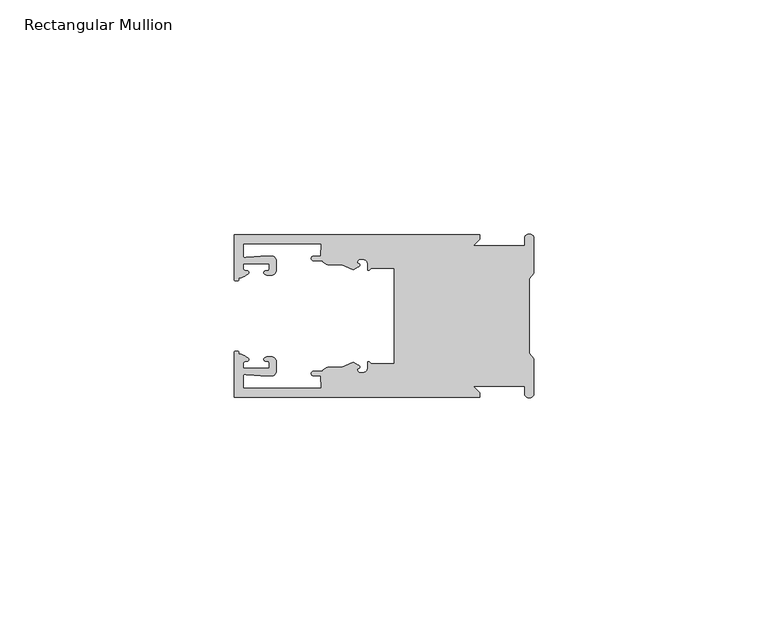
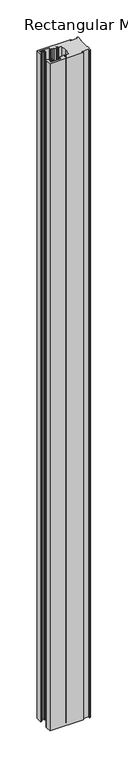
"""IFC4 building model written with IfcOpenShell, lengths in millimetres: member geometry, Rectangular Mullion."""

import ifcopenshell
import ifcopenshell.guid

model = None  # the IFC model being written
_history = None  # IfcOwnerHistory: only IFC2X3 demands one
_inside = {}  # id of a spatial element -> (the spatial element, [elements in it])
_under = {}  # id of a project, library or spatial element -> (it, [spatial elements below it])
_declared = {}  # id of a project -> (the project, [libraries it declares])
_typed = {}  # id of a type object -> (the type object, [elements of that type])
_made_of = {}  # id of a material, layer set ... -> (it, [elements and type objects made of it])


def new_model(schema):
    """Start an empty IFC model of exactly this schema.

    Asked for "IFC4X3", IfcOpenShell would pick the latest addendum, in which some entities
    have other attributes; the version numbers below select the first issue.
    IFC2X3 requires an IfcOwnerHistory on every rooted entity: one is made here for all.
    """
    global model, _history
    if schema == "IFC4X3":
        model = ifcopenshell.file(schema_version=(4, 3, 0, 0))
    else:
        model = ifcopenshell.file(schema=schema)
    _inside.clear()
    _under.clear()
    _declared.clear()
    _typed.clear()
    _made_of.clear()
    _history = None
    if model.schema == "IFC2X3":
        org = make("IfcOrganization", Name="unknown")
        user = make(
            "IfcPersonAndOrganization",
            ThePerson=make("IfcPerson", FamilyName="unknown"),
            TheOrganization=org,
        )
        app = make(
            "IfcApplication",
            ApplicationDeveloper=org,
            Version="unknown",
            ApplicationFullName="unknown",
            ApplicationIdentifier="unknown",
        )
        _history = make(
            "IfcOwnerHistory",
            OwningUser=user,
            OwningApplication=app,
            ChangeAction="ADDED",
            CreationDate=0,
        )
    return model


def make(cls, **values):
    """One entity of the class cls with the attributes given. An attribute that is None is left unset."""
    return model.create_entity(
        cls, **{name: value for name, value in values.items() if value is not None}
    )


def rooted(cls, **values):
    """An entity with a GlobalId (a new one), such as an element, a storey or a relation."""
    return make(cls, GlobalId=ifcopenshell.guid.new(), OwnerHistory=_history, **values)


def si_unit(unit_type, name, prefix=None):
    """IfcSIUnit, for example si_unit("LENGTHUNIT", "METRE", prefix="MILLI")."""
    return make("IfcSIUnit", UnitType=unit_type, Prefix=prefix, Name=name)


def assignment(units):
    """IfcUnitAssignment: the units of a project."""
    return None if units is None else make("IfcUnitAssignment", Units=units)


def point(xyz):
    """IfcCartesianPoint."""
    return None if xyz is None else make("IfcCartesianPoint", Coordinates=xyz)


def direction(xyz):
    """IfcDirection."""
    return None if xyz is None else make("IfcDirection", DirectionRatios=xyz)


def frame(location, z_axis=None, x_axis=None):
    """IfcAxis2Placement3D, a coordinate frame: its origin and axes. An axis left out is left unset."""
    return make(
        "IfcAxis2Placement3D",
        Location=point(location),
        Axis=direction(z_axis),
        RefDirection=direction(x_axis),
    )


def origin():
    """The frame at (0, 0, 0) with its axes left unset."""
    return frame((0.0, 0.0, 0.0))


def place(relative_to, where):
    """IfcLocalPlacement: puts the frame where relative to a parent placement (None: the world)."""
    return make(
        "IfcLocalPlacement", PlacementRelTo=relative_to, RelativePlacement=where
    )


def context(
    kind, dimensions, precision=None, world=None, true_north=None, identifier=None
):
    """IfcGeometricRepresentationContext, for example the 3D "Model" context."""
    return make(
        "IfcGeometricRepresentationContext",
        ContextIdentifier=identifier,
        ContextType=kind,
        CoordinateSpaceDimension=dimensions,
        Precision=precision,
        WorldCoordinateSystem=world,
        TrueNorth=true_north,
    )


def project(units=None, contexts=None):
    """IfcProject with its units and contexts."""
    return rooted(
        "IfcProject",
        Name="project",
        RepresentationContexts=contexts,
        UnitsInContext=assignment(units),
    )


def spatial(cls, under=None, at=None, **own):
    """A site, building, storey or space (cls), placed at a placement, below another one or the project."""
    s = rooted(cls, ObjectPlacement=at, **own)
    if under is not None:
        _under.setdefault(under.id(), (under, []))[1].append(s)
    return s


def polyline(points):
    """IfcPolyline through the points."""
    return make("IfcPolyline", Points=[point(p) for p in points])


def circle_curve(where, radius):
    """IfcCircle in the frame where."""
    return make("IfcCircle", Position=where, Radius=radius)


def shape(context_of_items, identifier, shape_type, items):
    """IfcShapeRepresentation: the items that make up one representation, for example the "Body"."""
    return make(
        "IfcShapeRepresentation",
        ContextOfItems=context_of_items,
        RepresentationIdentifier=identifier,
        RepresentationType=shape_type,
        Items=items,
    )


def source(mapping_origin, context_of_items, identifier, shape_type, items):
    """IfcRepresentationMap: a shape defined once, which mapped items show again and again."""
    return make(
        "IfcRepresentationMap",
        MappingOrigin=mapping_origin,
        MappedRepresentation=shape(context_of_items, identifier, shape_type, items),
    )


def transform(
    local_origin,
    x_axis=None,
    y_axis=None,
    z_axis=None,
    scale=None,
    scale2=None,
    scale3=None,
    uniform=True,
):
    """IfcCartesianTransformationOperator3D, or its non-uniform kind. x_axis, y_axis, z_axis: its Axis1, 2, 3."""
    if uniform:
        return make(
            "IfcCartesianTransformationOperator3D",
            Axis1=direction(x_axis),
            Axis2=direction(y_axis),
            LocalOrigin=point(local_origin),
            Scale=scale,
            Axis3=direction(z_axis),
        )
    return make(
        "IfcCartesianTransformationOperator3DnonUniform",
        Axis1=direction(x_axis),
        Axis2=direction(y_axis),
        LocalOrigin=point(local_origin),
        Scale=scale,
        Axis3=direction(z_axis),
        Scale2=scale2,
        Scale3=scale3,
    )


def mapped(mapping_source, mapping_target):
    """IfcMappedItem: shows the shape of a source again, moved by a transform."""
    return make(
        "IfcMappedItem", MappingSource=mapping_source, MappingTarget=mapping_target
    )


def made_of(thing, what):
    """Note that an element or type object is made of a material, layer set ...; save() writes the relation."""
    if what is not None:
        _made_of.setdefault(what.id(), (what, []))[1].append(thing)
    return thing


def element(
    cls,
    number,
    at=None,
    inside=None,
    cuts=None,
    type_object=None,
    material=None,
    context=None,
    identifier="Body",
    shape_type=None,
    held_by="IfcProductDefinitionShape",
    body=None,
    shapes=None,
    **own,
):
    """One element of the class cls, such as IfcWall. Its Tag is "e" and its number.

    at: its placement. inside: the storey or other place that contains it. cuts: it is an
    opening in that element (IfcRelVoidsElement). A single representation is given by context,
    identifier, shape_type and body (its items); several are given by shapes. held_by: the class
    of the entity that holds the representations. save() writes the other relations.
    """
    e = rooted(cls, Tag="e%d" % number, ObjectPlacement=at, **own)
    if body is not None:
        shapes = [shape(context, identifier, shape_type, body)]
    if shapes is not None:
        e.Representation = make(held_by, Representations=shapes)
    if inside is not None:
        _inside.setdefault(inside.id(), (inside, []))[1].append(e)
    if cuts is not None:
        rooted(
            "IfcRelVoidsElement", RelatingBuildingElement=cuts, RelatedOpeningElement=e
        )
    if type_object is not None:
        _typed.setdefault(type_object.id(), (type_object, []))[1].append(e)
    return made_of(e, material)


def aggregate(whole, parts):
    """IfcRelAggregates: a whole, such as a stair, and the parts it consists of."""
    return rooted("IfcRelAggregates", RelatingObject=whole, RelatedObjects=parts)


def save(model, path):
    """Write the relations noted so far, then the file.

    IfcRelAggregates (storeys below a building ...), IfcRelContainedInSpatialStructure (elements
    in a storey), IfcRelDefinesByType, IfcRelAssociatesMaterial and IfcRelDeclares: one each for
    every whole, place, type object, material and project.
    """
    for whole, parts in _under.values():
        aggregate(whole, parts)
    for where, things in _inside.values():
        rooted(
            "IfcRelContainedInSpatialStructure",
            RelatedElements=things,
            RelatingStructure=where,
        )
    for kind, things in _typed.values():
        rooted("IfcRelDefinesByType", RelatedObjects=things, RelatingType=kind)
    for what, things in _made_of.values():
        rooted("IfcRelAssociatesMaterial", RelatedObjects=things, RelatingMaterial=what)
    for by, libraries in _declared.values():
        rooted("IfcRelDeclares", RelatingContext=by, RelatedDefinitions=libraries)
    model.write(path)


def plane_surface(at):
    """IfcPlane: the flat surface through the origin of the frame at, square to its z axis."""
    return make("IfcPlane", Position=at)


def cylinder_surface(at, radius):
    """IfcCylindricalSurface: all points at the distance radius from the z axis of the frame at."""
    return make("IfcCylindricalSurface", Position=at, Radius=radius)


def revolved_surface(curve, axis_point, axis_direction):
    """IfcSurfaceOfRevolution: the curve turned about the line through axis_point along axis_direction."""
    return make(
        "IfcSurfaceOfRevolution",
        SweptCurve=make("IfcArbitraryOpenProfileDef", ProfileType="CURVE", Curve=curve),
        AxisPosition=make("IfcAxis1Placement", Location=point(axis_point), Axis=direction(axis_direction)),
    )


def extruded_surface(curve, direction_of_extrusion, depth):
    """IfcSurfaceOfLinearExtrusion: the curve pushed along a direction by depth."""
    return make(
        "IfcSurfaceOfLinearExtrusion",
        SweptCurve=make("IfcArbitraryOpenProfileDef", ProfileType="CURVE", Curve=curve),
        ExtrudedDirection=direction(direction_of_extrusion),
        Depth=depth,
    )


def spline_curve(degree, points, multiplicities, knots, weights=None):
    """IfcBSplineCurveWithKnots; with weights, IfcRationalBSplineCurveWithKnots."""
    own = dict(
        Degree=degree,
        ControlPointsList=[point(p) for p in points],
        CurveForm="UNSPECIFIED",
        ClosedCurve=False,
        SelfIntersect=False,
        KnotMultiplicities=multiplicities,
        Knots=knots,
        KnotSpec="UNSPECIFIED",
    )
    if weights is None:
        return make("IfcBSplineCurveWithKnots", **own)
    return make("IfcRationalBSplineCurveWithKnots", WeightsData=weights, **own)


def advanced_brep(points, edges, surfaces, faces):
    """IfcAdvancedBrep: a solid bounded by faces that lie on surfaces and meet in shared edges.

    An edge is (start, end): straight between two places in points (the first is 0);
    or (start, end, curve); or (start, end, curve, False) where it runs against its curve.
    A face is (place in surfaces, loops), or (place, loops, False) where it looks against
    its surface's normal. A loop lists edges by number (the first is 1), with a minus sign
    where the edge is run from its end to its start. The first loop is the outer one.
    """
    corners = [point(p) for p in points]
    vertices = [make("IfcVertexPoint", VertexGeometry=c) for c in corners]
    made = []
    for start, end, *more in edges:
        made.append(
            make(
                "IfcEdgeCurve",
                EdgeStart=vertices[start],
                EdgeEnd=vertices[end],
                EdgeGeometry=more[0] if more else make("IfcPolyline", Points=[corners[start], corners[end]]),
                SameSense=more[1] if len(more) > 1 else True,
            )
        )
    hull = []
    for where, loops, *sense in faces:
        bounds = []
        for j, loop in enumerate(loops):
            ring = [make("IfcOrientedEdge", EdgeElement=made[abs(k) - 1], Orientation=k > 0) for k in loop]
            bounds.append(
                make(
                    "IfcFaceOuterBound" if j == 0 else "IfcFaceBound",
                    Bound=make("IfcEdgeLoop", EdgeList=ring),
                    Orientation=True,
                )
            )
        hull.append(make("IfcAdvancedFace", Bounds=bounds, FaceSurface=surfaces[where], SameSense=sense[0] if sense else True))
    return make("IfcAdvancedBrep", Outer=make("IfcClosedShell", CfsFaces=hull))


def rectangular_mullion_b549bbb3(model_context):
    return source(origin(), model_context, "Body", "AdvancedBrep", [
        advanced_brep(
        [(-11.5387897, 17.4000478, 0.0), (-64.0387868, 17.4000478, 0.0), (-64.0387868, 7.8350057, 0.0), (-63.2884687, 7.5412947, 0.0), (-62.4614154, 8.1921895, 0.0), (-62.0410649, 9.9426451, 0.0), (-62.0424168, 11.1926444, 0.0), (-56.54242, 11.1985924, 0.0), (-56.5410682, 9.9485931, 0.0), (-57.1085345, 8.7314723, 0.0), (-56.0397166, 8.6991345, 0.0), (-55.0407987, 9.7002154, 0.0), (-55.0430697, 11.8002142, 0.0), (-56.0446364, 12.7991315, 0.0), (-58.3650753, 12.7954945, 0.0), (-61.1340054, 12.5502269, 0.0), (-62.044093, 12.7426435, 0.0), (-62.0469668, 15.4000478, 0.0), (-45.4240312, 15.4000478, 0.0), (-45.5732135, 12.8000478, 0.0), (-47.0387868, 12.8000478, 0.0), (-47.0387868, 11.8000478, 0.0), (-45.2543363, 11.8000478, 0.0), (-43.6387868, 10.9000478, 0.0), (-41.0454034, 10.9000478, 0.0), (-38.5697136, 9.8718293, 0.0), (-37.5387868, 10.4670351, 0.0), (-37.6803436, 11.4201497, 0.0), (-37.0270763, 12.1583697, 0.0), (-36.2010815, 12.0127245, 0.0), (-35.54, 11.2248783, 0.0), (-35.54, 10.0, 0.0), (-34.7705791, 10.25, 0.0), (-29.79, 10.25, 0.0), (-29.79, 0.0, 0.0), (-29.79, -10.25, 0.0), (-34.7705791, -10.25, 0.0), (-35.54, -10.0, 0.0), (-35.54, -11.2248783, 0.0), (-36.2010815, -12.0127245, 0.0), (-37.0270763, -12.1583697, 0.0), (-37.6803436, -11.4201497, 0.0), (-37.5387868, -10.4670351, 0.0), (-38.5697136, -9.8718293, 0.0), (-41.0454034, -10.9000478, 0.0), (-43.6387868, -10.9000478, 0.0), (-45.2543363, -11.8000478, 0.0), (-47.0387868, -11.8000478, 0.0), (-47.0387868, -12.8000478, 0.0), (-45.5732135, -12.8000478, 0.0), (-45.4240312, -15.4000478, 0.0), (-62.0469668, -15.4000478, 0.0), (-62.044093, -12.7426435, 0.0), (-61.1340054, -12.5502269, 0.0), (-58.3650753, -12.7954945, 0.0), (-56.0446364, -12.7991314, 0.0), (-55.0430697, -11.8002142, 0.0), (-55.0407987, -9.7002154, 0.0), (-56.0397166, -8.6991345, 0.0), (-57.1085345, -8.7314723, 0.0), (-56.5410682, -9.9485931, 0.0), (-56.54242, -11.1985924, 0.0), (-62.0424168, -11.1926444, 0.0), (-62.0410649, -9.9426451, 0.0), (-62.4614154, -8.1921895, 0.0), (-63.2884687, -7.5412947, 0.0), (-64.0387868, -7.8350057, 0.0), (-64.0387868, -17.4000478, 0.0), (-11.5387897, -17.4000478, 0.0), (-11.5387897, -16.4000449, 0.0), (-12.9388346, -15.0, 0.0), (-2.0, -15.0, 0.0), (-2.0, -16.5, 0.0), (0.0, -16.5, 0.0), (0.0, -9.1160254, 0.0), (-1.0, -7.9613249, 0.0), (-1.0, 0.0, 0.0), (-1.0, 7.9613249, 0.0), (0.0, 9.1160254, 0.0), (0.0, 16.5, 0.0), (-2.0, 16.5, 0.0), (-2.0, 15.0, 0.0), (-12.9388346, 15.0, 0.0), (-11.5387897, 16.4000449, 0.0), (-11.5387897, 17.4000478, -1098.18), (-11.5387897, 16.4000449, -1098.18), (-12.9388346, 15.0, -1098.18), (-2.0, 15.0, -1098.18), (-2.0, 16.5, -1098.18), (0.0, 16.5, -1098.18), (0.0, 9.1160254, -1098.18), (-1.0, 7.9613249, -1098.18), (-1.0, 0.0, -1098.18), (-1.0, -7.9613249, -1098.18), (0.0, -9.1160254, -1098.18), (0.0, -16.5, -1098.18), (-2.0, -16.5, -1098.18), (-2.0, -15.0, -1098.18), (-12.9388346, -15.0, -1098.18), (-11.5387897, -16.4000449, -1098.18), (-11.5387897, -17.4000478, -1098.18), (-64.0387868, -17.4000478, -1098.18), (-64.0387868, -7.8350057, -1098.18), (-63.2884687, -7.5412947, -1098.18), (-62.4614154, -8.1921895, -1098.18), (-62.0410649, -9.9426451, -1098.18), (-62.0424168, -11.1926444, -1098.18), (-56.54242, -11.1985924, -1098.18), (-56.5410682, -9.9485931, -1098.18), (-57.1085345, -8.7314723, -1098.18), (-56.0397166, -8.6991345, -1098.18), (-55.0407987, -9.7002154, -1098.18), (-55.0430697, -11.8002142, -1098.18), (-56.0446364, -12.7991315, -1098.18), (-58.3650753, -12.7954945, -1098.18), (-61.1340054, -12.5502269, -1098.18), (-62.044093, -12.7426435, -1098.18), (-62.0469668, -15.4000478, -1098.18), (-45.4240312, -15.4000478, -1098.18), (-45.5732135, -12.8000478, -1098.18), (-47.0387868, -12.8000478, -1098.18), (-47.0387868, -11.8000478, -1098.18), (-45.2543363, -11.8000478, -1098.18), (-43.6387868, -10.9000478, -1098.18), (-41.0454034, -10.9000478, -1098.18), (-38.5697136, -9.8718293, -1098.18), (-37.5387868, -10.4670351, -1098.18), (-37.6803436, -11.4201497, -1098.18), (-37.0270763, -12.1583697, -1098.18), (-36.2010815, -12.0127245, -1098.18), (-35.54, -11.2248783, -1098.18), (-35.54, -10.0, -1098.18), (-34.7705791, -10.25, -1098.18), (-29.79, -10.25, -1098.18), (-29.79, 0.0, -1098.18), (-29.79, 10.25, -1098.18), (-34.7705791, 10.25, -1098.18), (-35.54, 10.0, -1098.18), (-35.54, 11.2248783, -1098.18), (-36.2010815, 12.0127245, -1098.18), (-37.0270763, 12.1583697, -1098.18), (-37.6803436, 11.4201497, -1098.18), (-37.5387868, 10.4670351, -1098.18), (-38.5697136, 9.8718293, -1098.18), (-41.0454034, 10.9000478, -1098.18), (-43.6387868, 10.9000478, -1098.18), (-45.2543363, 11.8000478, -1098.18), (-47.0387868, 11.8000478, -1098.18), (-47.0387868, 12.8000478, -1098.18), (-45.5732135, 12.8000478, -1098.18), (-45.4240312, 15.4000478, -1098.18), (-62.0469668, 15.4000478, -1098.18), (-62.044093, 12.7426435, -1098.18), (-61.1340054, 12.5502269, -1098.18), (-58.3650753, 12.7954945, -1098.18), (-56.0446364, 12.7991314, -1098.18), (-55.0430697, 11.8002142, -1098.18), (-55.0407987, 9.7002154, -1098.18), (-56.0397166, 8.6991345, -1098.18), (-57.1085345, 8.7314723, -1098.18), (-56.5410682, 9.9485931, -1098.18), (-56.54242, 11.1985924, -1098.18), (-62.0424168, 11.1926444, -1098.18), (-62.0410649, 9.9426451, -1098.18), (-62.4614154, 8.1921895, -1098.18), (-63.2884687, 7.5412947, -1098.18), (-64.0387868, 7.8350057, -1098.18), (-64.0387868, 17.4000478, -1098.18)],
        [
            (0, 1),
            (1, 2),
            (2, 3, spline_curve(3, [(-64.0387868, 7.8350057, 0.0), (-64.038491377, 7.561831774, 0.0), (-63.788385325, 7.463928087, 0.0), (-63.2884687, 7.5412947, 0.0)], [4, 4], [0.0, 0.0019169337574178654])),
            (3, 4, spline_curve(3, [(-63.2884687, 7.5412947, 0.0), (-63.057760917, 7.582232011, 0.0), (-63.018445067, 7.725390894, 0.0), (-63.019925494, 8.056436881, 0.0), (-63.103444208, 8.236386866, 0.0), (-62.4614154, 8.1921895, 0.0)], [4, 2, 4], [0.0, 0.0010199524164107188, 0.0024874514725970356])),
            (4, 5, spline_curve(3, [(-62.4614154, 8.1921895, 0.0), (-60.988497673, 8.880962536, 0.0), (-60.794045122, 9.192776957, 0.0), (-60.949808078, 9.57023562, 0.0), (-61.145214014, 9.682771697, 0.0), (-61.665835706, 9.714019003, 0.0), (-61.965242574, 9.660891484, 0.0), (-62.0410649, 9.9426451, 0.0)], [4, 2, 2, 4], [0.0, 0.003269869179570428, 0.005490050486237203, 0.0073545767114364426])),
            (5, 6),
            (6, 7),
            (7, 8),
            (8, 9, spline_curve(3, [(-56.5410682, 9.9485931, 0.0), (-56.634838635, 9.597117104, 0.0), (-56.904956774, 9.698238818, 0.0), (-57.324171444, 9.731086209, 0.0), (-57.45969165, 9.646199885, 0.0), (-57.729003352, 9.346016011, 0.0), (-57.859492582, 9.113082158, 0.0), (-57.1085345, 8.7314723, 0.0)], [4, 2, 2, 4], [0.0, 0.001593963049934732, 0.0033360256320283306, 0.005339140673503943])),
            (9, 10),
            (10, 11, circle_curve(frame((-56.0407981, 9.699134, 0.0), z_axis=(0.0, 0.0, 1.0), x_axis=(0.0010814451158627505, -0.9999994152380598, 0.0)), 1.0)),
            (11, 12),
            (12, 13, circle_curve(frame((-56.0430691, 11.7991327, 0.0), z_axis=(0.0, 0.0, 1.0), x_axis=(0.0010814451158627505, -0.9999994152380598, 0.0)), 1.0)),
            (13, 14),
            (14, 15),
            (15, 16, spline_curve(3, [(-61.1340054, 12.5502269, 0.0), (-61.605485428, 12.508463911, 0.0), (-61.992111419, 12.303164326, 0.0), (-62.044093, 12.7426435, 0.0)], [4, 4], [0.0, 0.0014803385355886016])),
            (16, 17),
            (17, 18),
            (18, 19),
            (19, 20),
            (20, 21, circle_curve(frame((-47.0387868, 12.3000478, 0.0), z_axis=(0.0, 0.0, 1.0), x_axis=(0.0, -1.0, 0.0)), 0.5)),
            (21, 22),
            (22, 23, circle_curve(frame((-43.6387868, 12.8000478, 0.0), z_axis=(0.0, 0.0, 1.0), x_axis=(0.0, -1.0, 0.0)), 1.9)),
            (23, 24),
            (24, 25),
            (25, 26),
            (26, 27, spline_curve(3, [(-37.5387868, 10.4670351, 0.0), (-36.973919853, 10.833863985, 0.0), (-37.198159645, 11.135696286, 0.0), (-37.587892011, 11.260246073, 0.0), (-37.754584192, 11.180452419, 0.0), (-37.6803436, 11.4201497, 0.0)], [4, 2, 4], [0.0, 0.0019283703160353726, 0.003394584635652914])),
            (27, 28, circle_curve(frame((-37.0434863, 11.5147359, 0.0), z_axis=(0.0, 0.0, -1.0), x_axis=(0.0, -1.0, 0.0)), 0.643843)),
            (28, 29),
            (29, 30, circle_curve(frame((-36.34, 11.2248783, 0.0), z_axis=(0.0, 0.0, -1.0), x_axis=(0.0, -1.0, 0.0)), 0.8)),
            (30, 31),
            (31, 32, spline_curve(3, [(-35.54, 10.0, 0.0), (-35.440000238, 9.598293201, 0.0), (-35.183526594, 9.681626535, 0.0), (-34.7705791, 10.25, 0.0)], [4, 4], [0.0, 0.0027473296990141553])),
            (32, 33),
            (33, 34),
            (34, 35),
            (35, 36),
            (36, 37, spline_curve(3, [(-34.7705791, -10.25, 0.0), (-35.183526594, -9.681626535, 0.0), (-35.440000238, -9.598293201, 0.0), (-35.54, -10.0, 0.0)], [4, 4], [0.0, 0.0027473296990141553])),
            (37, 38),
            (38, 39, circle_curve(frame((-36.34, -11.2248783, 0.0), z_axis=(0.0, 0.0, -1.0), x_axis=(0.0, 1.0, 0.0)), 0.8)),
            (39, 40),
            (40, 41, circle_curve(frame((-37.0434863, -11.5147359, 0.0), z_axis=(0.0, 0.0, -1.0), x_axis=(0.0, 1.0, 0.0)), 0.643843)),
            (41, 42, spline_curve(3, [(-37.6803436, -11.4201497, 0.0), (-37.754584192, -11.180452419, 0.0), (-37.587892011, -11.260246073, 0.0), (-37.198159645, -11.135696286, 0.0), (-36.973919853, -10.833863985, 0.0), (-37.5387868, -10.4670351, 0.0)], [4, 2, 4], [0.0, 0.0014662143196175414, 0.003394584635652914])),
            (42, 43),
            (43, 44),
            (44, 45),
            (45, 46, circle_curve(frame((-43.6387868, -12.8000478, 0.0), z_axis=(0.0, 0.0, 1.0), x_axis=(0.0, 1.0, 0.0)), 1.9)),
            (46, 47),
            (47, 48, circle_curve(frame((-47.0387868, -12.3000478, 0.0), z_axis=(0.0, 0.0, 1.0), x_axis=(0.0, 1.0, 0.0)), 0.5)),
            (48, 49),
            (49, 50),
            (50, 51),
            (51, 52),
            (52, 53, spline_curve(3, [(-62.044093, -12.7426435, 0.0), (-61.992111419, -12.303164326, 0.0), (-61.605485428, -12.508463911, 0.0), (-61.1340054, -12.5502269, 0.0)], [4, 4], [0.0, 0.0014803385355886016])),
            (53, 54),
            (54, 55),
            (55, 56, circle_curve(frame((-56.0430691, -11.7991327, 0.0), z_axis=(0.0, 0.0, 1.0), x_axis=(0.001081445115855867, 0.9999994152380598, 0.0)), 1.0)),
            (56, 57),
            (57, 58, circle_curve(frame((-56.0407981, -9.699134, 0.0), z_axis=(0.0, 0.0, 1.0), x_axis=(0.001081445115855867, 0.9999994152380598, 0.0)), 1.0)),
            (58, 59),
            (59, 60, spline_curve(3, [(-57.1085345, -8.7314723, 0.0), (-57.859492582, -9.113082158, 0.0), (-57.729003352, -9.346016011, 0.0), (-57.45969165, -9.646199885, 0.0), (-57.324171444, -9.731086209, 0.0), (-56.904956774, -9.698238818, 0.0), (-56.634838635, -9.597117104, 0.0), (-56.5410682, -9.9485931, 0.0)], [4, 2, 2, 4], [0.0, 0.002003115041475612, 0.0037451776235692107, 0.005339140673503943])),
            (60, 61),
            (61, 62),
            (62, 63),
            (63, 64, spline_curve(3, [(-62.0410649, -9.9426451, 0.0), (-61.965242574, -9.660891484, 0.0), (-61.665835706, -9.714019003, 0.0), (-61.145214014, -9.682771697, 0.0), (-60.949808078, -9.57023562, 0.0), (-60.794045122, -9.192776957, 0.0), (-60.988497673, -8.880962536, 0.0), (-62.4614154, -8.1921895, 0.0)], [4, 2, 2, 4], [0.0, 0.0018645262251992395, 0.004084707531866015, 0.0073545767114364426])),
            (64, 65, spline_curve(3, [(-62.4614154, -8.1921895, 0.0), (-63.103444208, -8.236386866, 0.0), (-63.019925494, -8.056436881, 0.0), (-63.018445067, -7.725390894, 0.0), (-63.057760917, -7.582232011, 0.0), (-63.2884687, -7.5412947, 0.0)], [4, 2, 4], [0.0, 0.0014674990561863168, 0.0024874514725970356])),
            (65, 66, spline_curve(3, [(-63.2884687, -7.5412947, 0.0), (-63.788385325, -7.463928087, 0.0), (-64.038491377, -7.561831774, 0.0), (-64.0387868, -7.8350057, 0.0)], [4, 4], [0.0, 0.0019169337574178654])),
            (66, 67),
            (67, 68),
            (68, 69),
            (69, 70),
            (70, 71),
            (71, 72),
            (72, 73, circle_curve(frame((-1.0, -16.5, 0.0), z_axis=(0.0, 0.0, 1.0), x_axis=(0.0, 1.0, 0.0)), 1.0)),
            (73, 74),
            (74, 75),
            (75, 76),
            (76, 77),
            (77, 78),
            (78, 79),
            (79, 80, circle_curve(frame((-1.0, 16.5, 0.0), z_axis=(0.0, 0.0, 1.0), x_axis=(0.0, -1.0, 0.0)), 1.0)),
            (80, 81),
            (81, 82),
            (82, 83),
            (83, 0),
            (84, 85),
            (85, 86),
            (86, 87),
            (87, 88),
            (88, 89, circle_curve(frame((-1.0, 16.5, -1098.18), z_axis=(0.0, 0.0, -1.0), x_axis=(0.0, -1.0, 0.0)), 1.0)),
            (89, 90),
            (90, 91),
            (91, 92),
            (92, 93),
            (93, 94),
            (94, 95),
            (95, 96, circle_curve(frame((-1.0, -16.5, -1098.18), z_axis=(0.0, 0.0, -1.0), x_axis=(0.0, 1.0, 0.0)), 1.0)),
            (96, 97),
            (97, 98),
            (98, 99),
            (99, 100),
            (100, 101),
            (101, 102),
            (102, 103, spline_curve(3, [(-64.0387868, -7.8350057, -1098.18), (-64.038491377, -7.561831774, -1098.18), (-63.788385325, -7.463928087, -1098.18), (-63.2884687, -7.5412947, -1098.18)], [4, 4], [0.0, 0.0019169337574178654])),
            (103, 104, spline_curve(3, [(-63.2884687, -7.5412947, -1098.18), (-63.057760917, -7.582232011, -1098.18), (-63.018445067, -7.725390894, -1098.18), (-63.019925494, -8.056436881, -1098.18), (-63.103444208, -8.236386866, -1098.18), (-62.4614154, -8.1921895, -1098.18)], [4, 2, 4], [0.0, 0.0010199524164107188, 0.0024874514725970356])),
            (104, 105, spline_curve(3, [(-62.4614154, -8.1921895, -1098.18), (-60.988497673, -8.880962536, -1098.18), (-60.794045122, -9.192776957, -1098.18), (-60.949808078, -9.57023562, -1098.18), (-61.145214014, -9.682771697, -1098.18), (-61.665835706, -9.714019003, -1098.18), (-61.965242574, -9.660891484, -1098.18), (-62.0410649, -9.9426451, -1098.18)], [4, 2, 2, 4], [0.0, 0.003269869179570428, 0.005490050486237203, 0.0073545767114364426])),
            (105, 106),
            (106, 107),
            (107, 108),
            (108, 109, spline_curve(3, [(-56.5410682, -9.9485931, -1098.18), (-56.634838635, -9.597117104, -1098.18), (-56.904956774, -9.698238818, -1098.18), (-57.324171444, -9.731086209, -1098.18), (-57.45969165, -9.646199885, -1098.18), (-57.729003352, -9.346016011, -1098.18), (-57.859492582, -9.113082158, -1098.18), (-57.1085345, -8.7314723, -1098.18)], [4, 2, 2, 4], [0.0, 0.001593963049934732, 0.0033360256320283306, 0.005339140673503943])),
            (109, 110),
            (110, 111, circle_curve(frame((-56.0407981, -9.699134, -1098.18), z_axis=(0.0, 0.0, -1.0), x_axis=(0.001081445115855867, 0.9999994152380598, 0.0)), 1.0)),
            (111, 112),
            (112, 113, circle_curve(frame((-56.0430691, -11.7991327, -1098.18), z_axis=(0.0, 0.0, -1.0), x_axis=(0.001081445115855867, 0.9999994152380598, 0.0)), 1.0)),
            (113, 114),
            (114, 115),
            (115, 116, spline_curve(3, [(-61.1340054, -12.5502269, -1098.18), (-61.605485428, -12.508463911, -1098.18), (-61.992111419, -12.303164326, -1098.18), (-62.044093, -12.7426435, -1098.18)], [4, 4], [0.0, 0.0014803385355886016])),
            (116, 117),
            (117, 118),
            (118, 119),
            (119, 120),
            (120, 121, circle_curve(frame((-47.0387868, -12.3000478, -1098.18), z_axis=(0.0, 0.0, -1.0), x_axis=(0.0, 1.0, 0.0)), 0.5)),
            (121, 122),
            (122, 123, circle_curve(frame((-43.6387868, -12.8000478, -1098.18), z_axis=(0.0, 0.0, -1.0), x_axis=(0.0, 1.0, 0.0)), 1.9)),
            (123, 124),
            (124, 125),
            (125, 126),
            (126, 127, spline_curve(3, [(-37.5387868, -10.4670351, -1098.18), (-36.973919853, -10.833863985, -1098.18), (-37.198159645, -11.135696286, -1098.18), (-37.587892011, -11.260246073, -1098.18), (-37.754584192, -11.180452419, -1098.18), (-37.6803436, -11.4201497, -1098.18)], [4, 2, 4], [0.0, 0.0019283703160353726, 0.003394584635652914])),
            (127, 128, circle_curve(frame((-37.0434863, -11.5147359, -1098.18), z_axis=(0.0, 0.0, 1.0), x_axis=(0.0, 1.0, 0.0)), 0.643843)),
            (128, 129),
            (129, 130, circle_curve(frame((-36.34, -11.2248783, -1098.18), z_axis=(0.0, 0.0, 1.0), x_axis=(0.0, 1.0, 0.0)), 0.8)),
            (130, 131),
            (131, 132, spline_curve(3, [(-35.54, -10.0, -1098.18), (-35.440000238, -9.598293201, -1098.18), (-35.183526594, -9.681626535, -1098.18), (-34.7705791, -10.25, -1098.18)], [4, 4], [0.0, 0.0027473296990141553])),
            (132, 133),
            (133, 134),
            (134, 135),
            (135, 136),
            (136, 137, spline_curve(3, [(-34.7705791, 10.25, -1098.18), (-35.183526594, 9.681626535, -1098.18), (-35.440000238, 9.598293201, -1098.18), (-35.54, 10.0, -1098.18)], [4, 4], [0.0, 0.0027473296990141553])),
            (137, 138),
            (138, 139, circle_curve(frame((-36.34, 11.2248783, -1098.18), z_axis=(0.0, 0.0, 1.0), x_axis=(0.0, -1.0, 0.0)), 0.8)),
            (139, 140),
            (140, 141, circle_curve(frame((-37.0434863, 11.5147359, -1098.18), z_axis=(0.0, 0.0, 1.0), x_axis=(0.0, -1.0, 0.0)), 0.643843)),
            (141, 142, spline_curve(3, [(-37.6803436, 11.4201497, -1098.18), (-37.754584192, 11.180452419, -1098.18), (-37.587892011, 11.260246073, -1098.18), (-37.198159645, 11.135696286, -1098.18), (-36.973919853, 10.833863985, -1098.18), (-37.5387868, 10.4670351, -1098.18)], [4, 2, 4], [0.0, 0.0014662143196175414, 0.003394584635652914])),
            (142, 143),
            (143, 144),
            (144, 145),
            (145, 146, circle_curve(frame((-43.6387868, 12.8000478, -1098.18), z_axis=(0.0, 0.0, -1.0), x_axis=(0.0, -1.0, 0.0)), 1.9)),
            (146, 147),
            (147, 148, circle_curve(frame((-47.0387868, 12.3000478, -1098.18), z_axis=(0.0, 0.0, -1.0), x_axis=(0.0, -1.0, 0.0)), 0.5)),
            (148, 149),
            (149, 150),
            (150, 151),
            (151, 152),
            (152, 153, spline_curve(3, [(-62.044093, 12.7426435, -1098.18), (-61.992111419, 12.303164326, -1098.18), (-61.605485428, 12.508463911, -1098.18), (-61.1340054, 12.5502269, -1098.18)], [4, 4], [0.0, 0.0014803385355886016])),
            (153, 154),
            (154, 155),
            (155, 156, circle_curve(frame((-56.0430691, 11.7991327, -1098.18), z_axis=(0.0, 0.0, -1.0), x_axis=(0.0010814451158627505, -0.9999994152380598, 0.0)), 1.0)),
            (156, 157),
            (157, 158, circle_curve(frame((-56.0407981, 9.699134, -1098.18), z_axis=(0.0, 0.0, -1.0), x_axis=(0.0010814451158627505, -0.9999994152380598, 0.0)), 1.0)),
            (158, 159),
            (159, 160, spline_curve(3, [(-57.1085345, 8.7314723, -1098.18), (-57.859492582, 9.113082158, -1098.18), (-57.729003352, 9.346016011, -1098.18), (-57.45969165, 9.646199885, -1098.18), (-57.324171444, 9.731086209, -1098.18), (-56.904956774, 9.698238818, -1098.18), (-56.634838635, 9.597117104, -1098.18), (-56.5410682, 9.9485931, -1098.18)], [4, 2, 2, 4], [0.0, 0.002003115041475612, 0.0037451776235692107, 0.005339140673503943])),
            (160, 161),
            (161, 162),
            (162, 163),
            (163, 164, spline_curve(3, [(-62.0410649, 9.9426451, -1098.18), (-61.965242574, 9.660891484, -1098.18), (-61.665835706, 9.714019003, -1098.18), (-61.145214014, 9.682771697, -1098.18), (-60.949808078, 9.57023562, -1098.18), (-60.794045122, 9.192776957, -1098.18), (-60.988497673, 8.880962536, -1098.18), (-62.4614154, 8.1921895, -1098.18)], [4, 2, 2, 4], [0.0, 0.0018645262251992395, 0.004084707531866015, 0.0073545767114364426])),
            (164, 165, spline_curve(3, [(-62.4614154, 8.1921895, -1098.18), (-63.103444208, 8.236386866, -1098.18), (-63.019925494, 8.056436881, -1098.18), (-63.018445067, 7.725390894, -1098.18), (-63.057760917, 7.582232011, -1098.18), (-63.2884687, 7.5412947, -1098.18)], [4, 2, 4], [0.0, 0.0014674990561863168, 0.0024874514725970356])),
            (165, 166, spline_curve(3, [(-63.2884687, 7.5412947, -1098.18), (-63.788385325, 7.463928087, -1098.18), (-64.038491377, 7.561831774, -1098.18), (-64.0387868, 7.8350057, -1098.18)], [4, 4], [0.0, 0.0019169337574178654])),
            (166, 167),
            (167, 84),
            (0, 84),
            (167, 1),
            (166, 2),
            (165, 3),
            (164, 4),
            (163, 5),
            (162, 6),
            (161, 7),
            (160, 8),
            (159, 9),
            (158, 10),
            (157, 11),
            (156, 12),
            (155, 13),
            (154, 14),
            (153, 15),
            (152, 16),
            (151, 17),
            (150, 18),
            (149, 19),
            (148, 20),
            (147, 21),
            (146, 22),
            (145, 23),
            (144, 24),
            (143, 25),
            (142, 26),
            (141, 27),
            (140, 28),
            (139, 29),
            (138, 30),
            (137, 31),
            (136, 32),
            (135, 33),
            (134, 34),
            (133, 35),
            (132, 36),
            (131, 37),
            (130, 38),
            (129, 39),
            (128, 40),
            (127, 41),
            (126, 42),
            (125, 43),
            (124, 44),
            (123, 45),
            (122, 46),
            (121, 47),
            (120, 48),
            (119, 49),
            (118, 50),
            (117, 51),
            (116, 52),
            (115, 53),
            (114, 54),
            (113, 55),
            (112, 56),
            (111, 57),
            (110, 58),
            (109, 59),
            (108, 60),
            (107, 61),
            (106, 62),
            (105, 63),
            (104, 64),
            (103, 65),
            (102, 66),
            (101, 67),
            (100, 68),
            (99, 69),
            (98, 70),
            (97, 71),
            (96, 72),
            (95, 73),
            (94, 74),
            (93, 75),
            (92, 76),
            (91, 77),
            (90, 78),
            (89, 79),
            (88, 80),
            (87, 81),
            (86, 82),
            (85, 83),
        ],
        [
            plane_surface(frame((0.0, -66.3605898, 0.0), z_axis=(0.0, 0.0, 1.0), x_axis=(-1.0, 0.0, 0.0))),
            plane_surface(frame((0.0, -66.3605898, -1098.18), z_axis=(0.0, 0.0, -1.0), x_axis=(-1.0, 0.0, 0.0))),
            plane_surface(frame((-11.5387897, 17.4000478, 0.0), z_axis=(0.0, 1.0, 0.0), x_axis=(0.0, 0.0, -1.0))),
            plane_surface(frame((-64.0387868, 17.4000478, 0.0), z_axis=(-1.0, 0.0, 0.0), x_axis=(0.0, 0.0, -1.0))),
            extruded_surface(spline_curve(3, [(-64.0387868, 7.8350057, -1098.18), (-64.038491377, 7.561831774, -1098.18), (-63.788385325, 7.463928087, -1098.18), (-63.2884687, 7.5412947, -1098.18)], [4, 4], [0.0, 0.0019169337574178654]), (0.0, 0.0, 1098.18), 1098.18),
            extruded_surface(spline_curve(3, [(-63.2884687, 7.5412947, -1098.18), (-63.057760917, 7.582232011, -1098.18), (-63.018445067, 7.725390894, -1098.18), (-63.019925494, 8.056436881, -1098.18), (-63.103444208, 8.236386866, -1098.18), (-62.4614154, 8.1921895, -1098.18)], [4, 2, 4], [0.0, 0.0010199524164107188, 0.0024874514725970356]), (0.0, 0.0, 1098.18), 1098.18),
            extruded_surface(spline_curve(3, [(-62.4614154, 8.1921895, -1098.18), (-60.988497673, 8.880962536, -1098.18), (-60.794045122, 9.192776957, -1098.18), (-60.949808078, 9.57023562, -1098.18), (-61.145214014, 9.682771697, -1098.18), (-61.665835706, 9.714019003, -1098.18), (-61.965242574, 9.660891484, -1098.18), (-62.0410649, 9.9426451, -1098.18)], [4, 2, 2, 4], [0.0, 0.003269869179570428, 0.005490050486237203, 0.0073545767114364426]), (0.0, 0.0, 1098.18), 1098.18),
            plane_surface(frame((-62.0410649, 9.9426451, 0.0), z_axis=(0.9999994152380598, 0.0010814451158593665, 0.0), x_axis=(0.0, 0.0, -1.0))),
            plane_surface(frame((-62.0424168, 11.1926444, 0.0), z_axis=(0.0010814451158611391, -0.9999994152380598, 0.0), x_axis=(0.0, 0.0, -1.0))),
            plane_surface(frame((-56.54242, 11.1985924, 0.0), z_axis=(-0.9999994152380598, -0.0010814451158584516, 0.0), x_axis=(0.0, 0.0, -1.0))),
            extruded_surface(spline_curve(3, [(-56.5410682, 9.9485931, -1098.18), (-56.634838635, 9.597117104, -1098.18), (-56.904956774, 9.698238818, -1098.18), (-57.324171444, 9.731086209, -1098.18), (-57.45969165, 9.646199885, -1098.18), (-57.729003352, 9.346016011, -1098.18), (-57.859492582, 9.113082158, -1098.18), (-57.1085345, 8.7314723, -1098.18)], [4, 2, 2, 4], [0.0, 0.001593963049934732, 0.0033360256320283306, 0.005339140673503943]), (0.0, 0.0, 1098.18), 1098.18),
            plane_surface(frame((-57.1085345, 8.7314723, 0.0), z_axis=(-0.030241832452869922, -0.9995426111826813, 0.0), x_axis=(0.0, 0.0, -1.0))),
            cylinder_surface(frame((-56.0407981, 9.699134, 0.0), z_axis=(0.0, 0.0, 1.0000000000000002), x_axis=(0.0010814451158627505, -0.9999994152380598, 0.0)), 1.0),
            plane_surface(frame((-55.0407987, 9.7002154, 0.0), z_axis=(0.9999994152380598, 0.001081445115858722, 0.0), x_axis=(0.0, 0.0, -1.0))),
            cylinder_surface(frame((-56.0430691, 11.7991327, 0.0), z_axis=(0.0, 0.0, 1.0000000000000002), x_axis=(0.0010814451158627505, -0.9999994152380598, 0.0)), 1.0),
            plane_surface(frame((-56.0446364, 12.7991314, 0.0), z_axis=(-0.0015673183327907744, 0.9999987717558677, 0.0), x_axis=(0.0, 0.0, -1.0))),
            plane_surface(frame((-58.3650753, 12.7954945, 0.0), z_axis=(-0.08823302167299531, 0.9960998614026874, 0.0), x_axis=(0.0, 0.0, -1.0))),
            extruded_surface(spline_curve(3, [(-61.1340054, 12.5502269, -1098.18), (-61.605485428, 12.508463911, -1098.18), (-61.992111419, 12.303164326, -1098.18), (-62.044093, 12.7426435, -1098.18)], [4, 4], [0.0, 0.0014803385355886016]), (0.0, 0.0, 1098.18), 1098.18),
            plane_surface(frame((-62.044093, 12.7426435, 0.0), z_axis=(0.9999994152380598, 0.0010814451158597813, 0.0), x_axis=(0.0, 0.0, -1.0))),
            plane_surface(frame((-62.0469668, 15.4000478, 0.0), z_axis=(0.0, -1.0, 0.0), x_axis=(0.0, 0.0, -1.0))),
            plane_surface(frame((-45.4240312, 15.4000478, 0.0), z_axis=(-0.9983579461523547, 0.05728360458675776, 0.0), x_axis=(0.0, 0.0, -1.0))),
            plane_surface(frame((-45.5732135, 12.8000478, 0.0), z_axis=(0.0, 1.0, 0.0), x_axis=(0.0, 0.0, -1.0))),
            cylinder_surface(frame((-47.0387868, 12.3000478, 0.0), z_axis=(0.0, 0.0, 1.0), x_axis=(0.0, -1.0, 0.0)), 0.5),
            plane_surface(frame((-47.0387868, 11.8000478, 0.0), z_axis=(0.0, -1.0, 0.0), x_axis=(0.0, 0.0, -1.0))),
            cylinder_surface(frame((-43.6387868, 12.8000478, 0.0), z_axis=(0.0, 0.0, 1.0), x_axis=(0.0, -1.0, 0.0)), 1.9),
            plane_surface(frame((-43.6387868, 10.9000478, 0.0), z_axis=(0.0, -1.0, 0.0), x_axis=(0.0, 0.0, -1.0))),
            plane_surface(frame((-41.0454034, 10.9000478, 0.0), z_axis=(-0.3835602140750569, -0.9235158700199453, 0.0), x_axis=(0.0, 0.0, -1.0))),
            plane_surface(frame((-38.5697136, 9.8718293, 0.0), z_axis=(0.5000000000252295, -0.8660254037698725, 0.0), x_axis=(0.0, 0.0, -1.0))),
            extruded_surface(spline_curve(3, [(-37.5387868, 10.4670351, -1098.18), (-36.973919853, 10.833863985, -1098.18), (-37.198159645, 11.135696286, -1098.18), (-37.587892011, 11.260246073, -1098.18), (-37.754584192, 11.180452419, -1098.18), (-37.6803436, 11.4201497, -1098.18)], [4, 2, 4], [0.0, 0.0019283703160353726, 0.003394584635652914]), (0.0, 0.0, 1098.18), 1098.18),
            revolved_surface(polyline([(-37.0434863, 10.8708929, -1098.18), (-37.0434863, 10.8708929, 0.0)]), (-37.0434863, 11.5147359, 0.0), (0.0, 0.0, -1.0)),
            plane_surface(frame((-37.0270763, 12.1583697, 0.0), z_axis=(-0.17364817767050408, -0.984807753011578, 0.0), x_axis=(0.0, 0.0, -1.0))),
            revolved_surface(polyline([(-36.34, 10.4248783, -1098.18), (-36.34, 10.4248783, 0.0)]), (-36.34, 11.2248783, 0.0), (0.0, 0.0, -1.0)),
            plane_surface(frame((-35.54, 11.2248783, 0.0), z_axis=(-1.0, 0.0, 0.0), x_axis=(0.0, 0.0, -1.0))),
            extruded_surface(spline_curve(3, [(-35.54, 10.0, -1098.18), (-35.440000238, 9.598293201, -1098.18), (-35.183526594, 9.681626535, -1098.18), (-34.7705791, 10.25, -1098.18)], [4, 4], [0.0, 0.0027473296990141553]), (0.0, 0.0, 1098.18), 1098.18),
            plane_surface(frame((-34.7705791, 10.25, 0.0), z_axis=(0.0, -1.0, 0.0), x_axis=(0.0, 0.0, -1.0))),
            plane_surface(frame((-29.79, 10.25, 0.0), z_axis=(-1.0, 0.0, 0.0), x_axis=(0.0, 0.0, -1.0))),
            plane_surface(frame((-29.79, 0.0, 0.0), z_axis=(-1.0, 0.0, 0.0), x_axis=(0.0, 0.0, -1.0))),
            plane_surface(frame((-29.79, -10.25, 0.0), z_axis=(0.0, 1.0, 0.0), x_axis=(0.0, 0.0, -1.0))),
            extruded_surface(spline_curve(3, [(-34.7705791, -10.25, -1098.18), (-35.183526594, -9.681626535, -1098.18), (-35.440000238, -9.598293201, -1098.18), (-35.54, -10.0, -1098.18)], [4, 4], [0.0, 0.0027473296990141553]), (0.0, 0.0, 1098.18), 1098.18),
            plane_surface(frame((-35.54, -10.0, 0.0), z_axis=(-1.0, 0.0, 0.0), x_axis=(0.0, 0.0, -1.0))),
            revolved_surface(polyline([(-36.34, -10.4248783, -1098.18), (-36.34, -10.4248783, 0.0)]), (-36.34, -11.2248783, 0.0), (0.0, 0.0, -1.0)),
            plane_surface(frame((-36.2010815, -12.0127245, 0.0), z_axis=(-0.17364817767051083, 0.9848077530115767, 0.0), x_axis=(0.0, 0.0, -1.0))),
            revolved_surface(polyline([(-37.0434863, -10.8708929, -1098.18), (-37.0434863, -10.8708929, 0.0)]), (-37.0434863, -11.5147359, 0.0), (0.0, 0.0, -1.0)),
            extruded_surface(spline_curve(3, [(-37.6803436, -11.4201497, -1098.18), (-37.754584192, -11.180452419, -1098.18), (-37.587892011, -11.260246073, -1098.18), (-37.198159645, -11.135696286, -1098.18), (-36.973919853, -10.833863985, -1098.18), (-37.5387868, -10.4670351, -1098.18)], [4, 2, 4], [0.0, 0.0014662143196175414, 0.003394584635652914]), (0.0, 0.0, 1098.18), 1098.18),
            plane_surface(frame((-37.5387868, -10.4670351, 0.0), z_axis=(0.5000000000252234, 0.8660254037698759, 0.0), x_axis=(0.0, 0.0, -1.0))),
            plane_surface(frame((-38.5697136, -9.8718293, 0.0), z_axis=(-0.38356021407506324, 0.9235158700199426, 0.0), x_axis=(0.0, 0.0, -1.0))),
            plane_surface(frame((-41.0454034, -10.9000478, 0.0), z_axis=(0.0, 1.0, 0.0), x_axis=(0.0, 0.0, -1.0))),
            cylinder_surface(frame((-43.6387868, -12.8000478, 0.0), z_axis=(0.0, 0.0, 1.0), x_axis=(0.0, 1.0, 0.0)), 1.9),
            plane_surface(frame((-45.2543363, -11.8000478, 0.0), z_axis=(0.0, 1.0, 0.0), x_axis=(0.0, 0.0, -1.0))),
            cylinder_surface(frame((-47.0387868, -12.3000478, 0.0), z_axis=(0.0, 0.0, 1.0), x_axis=(0.0, 1.0, 0.0)), 0.5),
            plane_surface(frame((-47.0387868, -12.8000478, 0.0), z_axis=(0.0, -1.0, 0.0), x_axis=(0.0, 0.0, -1.0))),
            plane_surface(frame((-45.5732135, -12.8000478, 0.0), z_axis=(-0.9983579461523543, -0.05728360458676463, 0.0), x_axis=(0.0, 0.0, -1.0))),
            plane_surface(frame((-45.4240312, -15.4000478, 0.0), z_axis=(0.0, 1.0, 0.0), x_axis=(0.0, 0.0, -1.0))),
            plane_surface(frame((-62.0469668, -15.4000478, 0.0), z_axis=(0.9999994152380598, -0.001081445115852898, 0.0), x_axis=(0.0, 0.0, -1.0))),
            extruded_surface(spline_curve(3, [(-62.044093, -12.7426435, -1098.18), (-61.992111419, -12.303164326, -1098.18), (-61.605485428, -12.508463911, -1098.18), (-61.1340054, -12.5502269, -1098.18)], [4, 4], [0.0, 0.0014803385355886016]), (0.0, 0.0, 1098.18), 1098.18),
            plane_surface(frame((-61.1340054, -12.5502269, 0.0), z_axis=(-0.08823302167298844, -0.9960998614026879, 0.0), x_axis=(0.0, 0.0, -1.0))),
            plane_surface(frame((-58.3650753, -12.7954945, 0.0), z_axis=(-0.001567318332783891, -0.9999987717558677, 0.0), x_axis=(0.0, 0.0, -1.0))),
            cylinder_surface(frame((-56.0430691, -11.7991327, 0.0), z_axis=(0.0, 0.0, 1.0000000000000002), x_axis=(0.001081445115855867, 0.9999994152380598, 0.0)), 1.0),
            plane_surface(frame((-55.0430697, -11.8002142, 0.0), z_axis=(0.9999994152380598, -0.0010814451158518386, 0.0), x_axis=(0.0, 0.0, -1.0))),
            cylinder_surface(frame((-56.0407981, -9.699134, 0.0), z_axis=(0.0, 0.0, 1.0000000000000002), x_axis=(0.001081445115855867, 0.9999994152380598, 0.0)), 1.0),
            plane_surface(frame((-56.0397166, -8.6991345, 0.0), z_axis=(-0.030241832452876805, 0.9995426111826811, 0.0), x_axis=(0.0, 0.0, -1.0))),
            extruded_surface(spline_curve(3, [(-57.1085345, -8.7314723, -1098.18), (-57.859492582, -9.113082158, -1098.18), (-57.729003352, -9.346016011, -1098.18), (-57.45969165, -9.646199885, -1098.18), (-57.324171444, -9.731086209, -1098.18), (-56.904956774, -9.698238818, -1098.18), (-56.634838635, -9.597117104, -1098.18), (-56.5410682, -9.9485931, -1098.18)], [4, 2, 2, 4], [0.0, 0.002003115041475612, 0.0037451776235692107, 0.005339140673503943]), (0.0, 0.0, 1098.18), 1098.18),
            plane_surface(frame((-56.5410682, -9.9485931, 0.0), z_axis=(-0.9999994152380598, 0.0010814451158515682, 0.0), x_axis=(0.0, 0.0, -1.0))),
            plane_surface(frame((-56.54242, -11.1985924, 0.0), z_axis=(0.0010814451158542558, 0.9999994152380598, 0.0), x_axis=(0.0, 0.0, -1.0))),
            plane_surface(frame((-62.0424168, -11.1926444, 0.0), z_axis=(0.9999994152380598, -0.001081445115852483, 0.0), x_axis=(0.0, 0.0, -1.0))),
            extruded_surface(spline_curve(3, [(-62.0410649, -9.9426451, -1098.18), (-61.965242574, -9.660891484, -1098.18), (-61.665835706, -9.714019003, -1098.18), (-61.145214014, -9.682771697, -1098.18), (-60.949808078, -9.57023562, -1098.18), (-60.794045122, -9.192776957, -1098.18), (-60.988497673, -8.880962536, -1098.18), (-62.4614154, -8.1921895, -1098.18)], [4, 2, 2, 4], [0.0, 0.0018645262251992395, 0.004084707531866015, 0.0073545767114364426]), (0.0, 0.0, 1098.18), 1098.18),
            extruded_surface(spline_curve(3, [(-62.4614154, -8.1921895, -1098.18), (-63.103444208, -8.236386866, -1098.18), (-63.019925494, -8.056436881, -1098.18), (-63.018445067, -7.725390894, -1098.18), (-63.057760917, -7.582232011, -1098.18), (-63.2884687, -7.5412947, -1098.18)], [4, 2, 4], [0.0, 0.0014674990561863168, 0.0024874514725970356]), (0.0, 0.0, 1098.18), 1098.18),
            extruded_surface(spline_curve(3, [(-63.2884687, -7.5412947, -1098.18), (-63.788385325, -7.463928087, -1098.18), (-64.038491377, -7.561831774, -1098.18), (-64.0387868, -7.8350057, -1098.18)], [4, 4], [0.0, 0.0019169337574178654]), (0.0, 0.0, 1098.18), 1098.18),
            plane_surface(frame((-64.0387868, -7.8350057, 0.0), z_axis=(-1.0, 0.0, 0.0), x_axis=(0.0, 0.0, -1.0))),
            plane_surface(frame((-64.0387868, -17.4000478, 0.0), z_axis=(0.0, -1.0, 0.0), x_axis=(0.0, 0.0, -1.0))),
            plane_surface(frame((-11.5387897, -17.4000478, 0.0), z_axis=(1.0, 0.0, 0.0), x_axis=(0.0, 0.0, -1.0))),
            plane_surface(frame((-11.5387897, -16.4000449, 0.0), z_axis=(0.7071067811865457, 0.7071067811865493, 0.0), x_axis=(0.0, 0.0, -1.0))),
            plane_surface(frame((-12.9388346, -15.0, 0.0), z_axis=(0.0, -1.0, 0.0), x_axis=(0.0, 0.0, -1.0))),
            plane_surface(frame((-2.0, -15.0, 0.0), z_axis=(-1.0, 0.0, 0.0), x_axis=(0.0, 0.0, -1.0))),
            cylinder_surface(frame((-1.0, -16.5, 0.0), z_axis=(0.0, 0.0, 1.0), x_axis=(0.0, 1.0, 0.0)), 1.0),
            plane_surface(frame((0.0, -16.5, 0.0), z_axis=(1.0, 0.0, 0.0), x_axis=(0.0, 0.0, -1.0))),
            plane_surface(frame((0.0, -9.1160254, 0.0), z_axis=(0.7559289460231527, 0.6546536707025522, 0.0), x_axis=(0.0, 0.0, -1.0))),
            plane_surface(frame((-1.0, -7.9613249, 0.0), z_axis=(1.0, 0.0, 0.0), x_axis=(0.0, 0.0, -1.0))),
            plane_surface(frame((-1.0, 0.0, 0.0), z_axis=(1.0, 0.0, 0.0), x_axis=(0.0, 0.0, -1.0))),
            plane_surface(frame((-1.0, 7.9613249, 0.0), z_axis=(0.7559289460231571, -0.654653670702547, 0.0), x_axis=(0.0, 0.0, -1.0))),
            plane_surface(frame((0.0, 9.1160254, 0.0), z_axis=(1.0, 0.0, 0.0), x_axis=(0.0, 0.0, -1.0))),
            cylinder_surface(frame((-1.0, 16.5, 0.0), z_axis=(0.0, 0.0, 1.0), x_axis=(0.0, -1.0, 0.0)), 1.0),
            plane_surface(frame((-2.0, 16.5, 0.0), z_axis=(-1.0, 0.0, 0.0), x_axis=(0.0, 0.0, -1.0))),
            plane_surface(frame((-2.0, 15.0, 0.0), z_axis=(0.0, 1.0, 0.0), x_axis=(0.0, 0.0, -1.0))),
            plane_surface(frame((-12.9388346, 15.0, 0.0), z_axis=(0.7071067811865507, -0.7071067811865446, 0.0), x_axis=(0.0, 0.0, -1.0))),
            plane_surface(frame((-11.5387897, 16.4000449, 0.0), z_axis=(1.0, 0.0, 0.0), x_axis=(0.0, 0.0, -1.0))),
        ],
        [
            (0, [[1, 2, 3, 4, 5, 6, 7, 8, 9, 10, 11, 12, 13, 14, 15, 16, 17, 18, 19, 20, 21, 22, 23, 24, 25, 26, 27, 28, 29, 30, 31, 32, 33, 34, 35, 36, 37, 38, 39, 40, 41, 42, 43, 44, 45, 46, 47, 48, 49, 50, 51, 52, 53, 54, 55, 56, 57, 58, 59, 60, 61, 62, 63, 64, 65, 66, 67, 68, 69, 70, 71, 72, 73, 74, 75, 76, 77, 78, 79, 80, 81, 82, 83, 84]]),
            (1, [[85, 86, 87, 88, 89, 90, 91, 92, 93, 94, 95, 96, 97, 98, 99, 100, 101, 102, 103, 104, 105, 106, 107, 108, 109, 110, 111, 112, 113, 114, 115, 116, 117, 118, 119, 120, 121, 122, 123, 124, 125, 126, 127, 128, 129, 130, 131, 132, 133, 134, 135, 136, 137, 138, 139, 140, 141, 142, 143, 144, 145, 146, 147, 148, 149, 150, 151, 152, 153, 154, 155, 156, 157, 158, 159, 160, 161, 162, 163, 164, 165, 166, 167, 168]]),
            (2, [[-1, 169, -168, 170]]),
            (3, [[-2, -170, -167, 171]]),
            (4, [[-3, -171, -166, 172]]),
            (5, [[-4, -172, -165, 173]]),
            (6, [[-5, -173, -164, 174]]),
            (7, [[-6, -174, -163, 175]]),
            (8, [[-7, -175, -162, 176]]),
            (9, [[-8, -176, -161, 177]]),
            (10, [[-9, -177, -160, 178]]),
            (11, [[-10, -178, -159, 179]]),
            (12, [[-11, -179, -158, 180]]),
            (13, [[-12, -180, -157, 181]]),
            (14, [[-13, -181, -156, 182]]),
            (15, [[-14, -182, -155, 183]]),
            (16, [[-15, -183, -154, 184]]),
            (17, [[-16, -184, -153, 185]]),
            (18, [[-17, -185, -152, 186]]),
            (19, [[-18, -186, -151, 187]]),
            (20, [[-19, -187, -150, 188]]),
            (21, [[-20, -188, -149, 189]]),
            (22, [[-21, -189, -148, 190]]),
            (23, [[-22, -190, -147, 191]]),
            (24, [[-23, -191, -146, 192]]),
            (25, [[-24, -192, -145, 193]]),
            (26, [[-25, -193, -144, 194]]),
            (27, [[-26, -194, -143, 195]]),
            (28, [[-27, -195, -142, 196]]),
            (29, [[-28, -196, -141, 197]]),
            (30, [[-29, -197, -140, 198]]),
            (31, [[-30, -198, -139, 199]]),
            (32, [[-31, -199, -138, 200]]),
            (33, [[-32, -200, -137, 201]]),
            (34, [[-33, -201, -136, 202]]),
            (35, [[-34, -202, -135, 203]]),
            (36, [[-35, -203, -134, 204]]),
            (37, [[-36, -204, -133, 205]]),
            (38, [[-37, -205, -132, 206]]),
            (39, [[-38, -206, -131, 207]]),
            (40, [[-39, -207, -130, 208]]),
            (41, [[-40, -208, -129, 209]]),
            (42, [[-41, -209, -128, 210]]),
            (43, [[-42, -210, -127, 211]]),
            (44, [[-43, -211, -126, 212]]),
            (45, [[-44, -212, -125, 213]]),
            (46, [[-45, -213, -124, 214]]),
            (47, [[-46, -214, -123, 215]]),
            (48, [[-47, -215, -122, 216]]),
            (49, [[-48, -216, -121, 217]]),
            (50, [[-49, -217, -120, 218]]),
            (51, [[-50, -218, -119, 219]]),
            (52, [[-51, -219, -118, 220]]),
            (53, [[-52, -220, -117, 221]]),
            (54, [[-53, -221, -116, 222]]),
            (55, [[-54, -222, -115, 223]]),
            (56, [[-55, -223, -114, 224]]),
            (57, [[-56, -224, -113, 225]]),
            (58, [[-57, -225, -112, 226]]),
            (59, [[-58, -226, -111, 227]]),
            (60, [[-59, -227, -110, 228]]),
            (61, [[-60, -228, -109, 229]]),
            (62, [[-61, -229, -108, 230]]),
            (63, [[-62, -230, -107, 231]]),
            (64, [[-63, -231, -106, 232]]),
            (65, [[-64, -232, -105, 233]]),
            (66, [[-65, -233, -104, 234]]),
            (67, [[-66, -234, -103, 235]]),
            (68, [[-67, -235, -102, 236]]),
            (69, [[-68, -236, -101, 237]]),
            (70, [[-69, -237, -100, 238]]),
            (71, [[-70, -238, -99, 239]]),
            (72, [[-71, -239, -98, 240]]),
            (73, [[-72, -240, -97, 241]]),
            (74, [[-73, -241, -96, 242]]),
            (75, [[-74, -242, -95, 243]]),
            (76, [[-75, -243, -94, 244]]),
            (77, [[-76, -244, -93, 245]]),
            (78, [[-77, -245, -92, 246]]),
            (79, [[-78, -246, -91, 247]]),
            (80, [[-79, -247, -90, 248]]),
            (81, [[-80, -248, -89, 249]]),
            (82, [[-81, -249, -88, 250]]),
            (83, [[-82, -250, -87, 251]]),
            (84, [[-83, -251, -86, 252]]),
            (85, [[-84, -252, -85, -169]]),
        ],
    ),
    ])


if __name__ == "__main__":
    model = new_model("IFC4")
    model_context = context("Model", 3, world=origin())
    ifc_project = project(units=[si_unit("LENGTHUNIT", "METRE", prefix="MILLI")], contexts=[model_context])
    site = spatial("IfcSite", under=ifc_project)
    building = spatial("IfcBuilding", under=site)
    placement = place(None, origin())
    rectangular_mullion_shape = rectangular_mullion_b549bbb3(model_context)
    element("IfcMember", 1, ObjectType="Rectangular Mullion", at=placement, inside=building, context=model_context, shape_type="MappedRepresentation", body=[
        mapped(rectangular_mullion_shape, transform((0.0, 0.0, 0.0), x_axis=(1.0, 0.0, 0.0), y_axis=(0.0, 1.0, 0.0), z_axis=(0.0, 0.0, 1.0))),
    ])
    save(model, "model.ifc")
